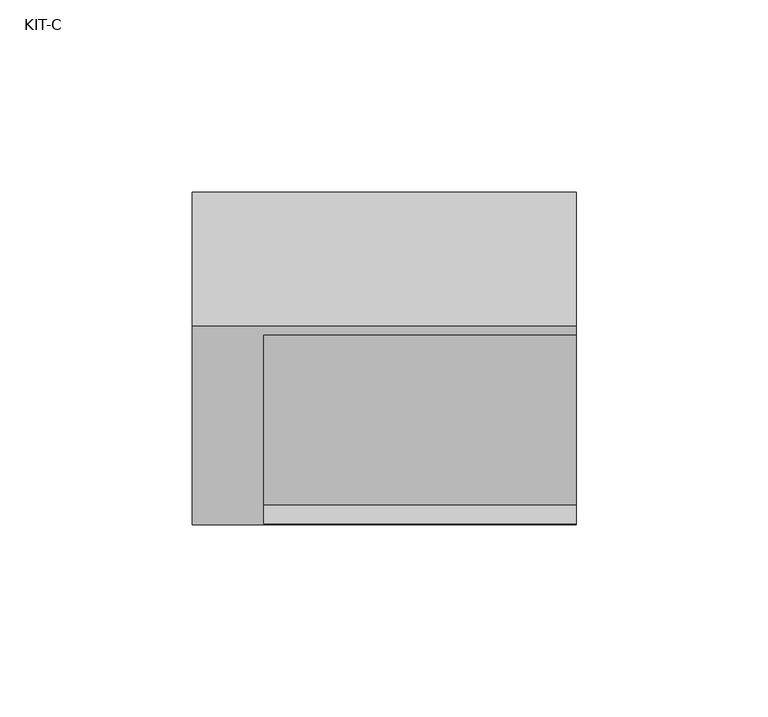
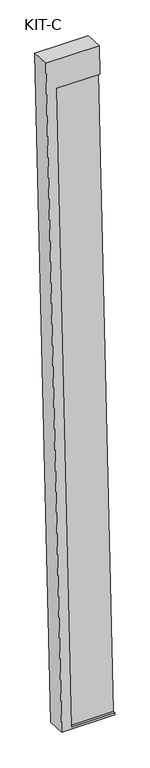
"""IFC4 building model written with IfcOpenShell, lengths in millimetres: plate geometry, KIT-C."""

import ifcopenshell
import ifcopenshell.guid

model = None  # the IFC model being written
_history = None  # IfcOwnerHistory: only IFC2X3 demands one
_inside = {}  # id of a spatial element -> (the spatial element, [elements in it])
_under = {}  # id of a project, library or spatial element -> (it, [spatial elements below it])
_declared = {}  # id of a project -> (the project, [libraries it declares])
_typed = {}  # id of a type object -> (the type object, [elements of that type])
_made_of = {}  # id of a material, layer set ... -> (it, [elements and type objects made of it])


def new_model(schema):
    """Start an empty IFC model of exactly this schema.

    Asked for "IFC4X3", IfcOpenShell would pick the latest addendum, in which some entities
    have other attributes; the version numbers below select the first issue.
    IFC2X3 requires an IfcOwnerHistory on every rooted entity: one is made here for all.
    """
    global model, _history
    if schema == "IFC4X3":
        model = ifcopenshell.file(schema_version=(4, 3, 0, 0))
    else:
        model = ifcopenshell.file(schema=schema)
    _inside.clear()
    _under.clear()
    _declared.clear()
    _typed.clear()
    _made_of.clear()
    _history = None
    if model.schema == "IFC2X3":
        org = make("IfcOrganization", Name="unknown")
        user = make(
            "IfcPersonAndOrganization",
            ThePerson=make("IfcPerson", FamilyName="unknown"),
            TheOrganization=org,
        )
        app = make(
            "IfcApplication",
            ApplicationDeveloper=org,
            Version="unknown",
            ApplicationFullName="unknown",
            ApplicationIdentifier="unknown",
        )
        _history = make(
            "IfcOwnerHistory",
            OwningUser=user,
            OwningApplication=app,
            ChangeAction="ADDED",
            CreationDate=0,
        )
    return model


def make(cls, **values):
    """One entity of the class cls with the attributes given. An attribute that is None is left unset."""
    return model.create_entity(
        cls, **{name: value for name, value in values.items() if value is not None}
    )


def rooted(cls, **values):
    """An entity with a GlobalId (a new one), such as an element, a storey or a relation."""
    return make(cls, GlobalId=ifcopenshell.guid.new(), OwnerHistory=_history, **values)


def si_unit(unit_type, name, prefix=None):
    """IfcSIUnit, for example si_unit("LENGTHUNIT", "METRE", prefix="MILLI")."""
    return make("IfcSIUnit", UnitType=unit_type, Prefix=prefix, Name=name)


def assignment(units):
    """IfcUnitAssignment: the units of a project."""
    return None if units is None else make("IfcUnitAssignment", Units=units)


def point(xyz):
    """IfcCartesianPoint."""
    return None if xyz is None else make("IfcCartesianPoint", Coordinates=xyz)


def direction(xyz):
    """IfcDirection."""
    return None if xyz is None else make("IfcDirection", DirectionRatios=xyz)


def frame(location, z_axis=None, x_axis=None):
    """IfcAxis2Placement3D, a coordinate frame: its origin and axes. An axis left out is left unset."""
    return make(
        "IfcAxis2Placement3D",
        Location=point(location),
        Axis=direction(z_axis),
        RefDirection=direction(x_axis),
    )


def origin():
    """The frame at (0, 0, 0) with its axes left unset."""
    return frame((0.0, 0.0, 0.0))


def place(relative_to, where):
    """IfcLocalPlacement: puts the frame where relative to a parent placement (None: the world)."""
    return make(
        "IfcLocalPlacement", PlacementRelTo=relative_to, RelativePlacement=where
    )


def context(
    kind, dimensions, precision=None, world=None, true_north=None, identifier=None
):
    """IfcGeometricRepresentationContext, for example the 3D "Model" context."""
    return make(
        "IfcGeometricRepresentationContext",
        ContextIdentifier=identifier,
        ContextType=kind,
        CoordinateSpaceDimension=dimensions,
        Precision=precision,
        WorldCoordinateSystem=world,
        TrueNorth=true_north,
    )


def project(units=None, contexts=None):
    """IfcProject with its units and contexts."""
    return rooted(
        "IfcProject",
        Name="project",
        RepresentationContexts=contexts,
        UnitsInContext=assignment(units),
    )


def spatial(cls, under=None, at=None, **own):
    """A site, building, storey or space (cls), placed at a placement, below another one or the project."""
    s = rooted(cls, ObjectPlacement=at, **own)
    if under is not None:
        _under.setdefault(under.id(), (under, []))[1].append(s)
    return s


def polyline(points):
    """IfcPolyline through the points."""
    return make("IfcPolyline", Points=[point(p) for p in points])


def outline(outer, holes=None, kind="AREA"):
    """IfcArbitraryClosedProfileDef: a profile drawn as a closed curve; with holes, ...WithVoids."""
    if holes is None:
        return make("IfcArbitraryClosedProfileDef", ProfileType=kind, OuterCurve=outer)
    return make(
        "IfcArbitraryProfileDefWithVoids",
        ProfileType=kind,
        OuterCurve=outer,
        InnerCurves=holes,
    )


def extrude(swept, where, along, depth):
    """IfcExtrudedAreaSolid: the profile swept, set in the frame where, extruded along a direction by depth."""
    return make(
        "IfcExtrudedAreaSolid",
        SweptArea=swept,
        Position=where,
        ExtrudedDirection=direction(along),
        Depth=depth,
    )


def shape(context_of_items, identifier, shape_type, items):
    """IfcShapeRepresentation: the items that make up one representation, for example the "Body"."""
    return make(
        "IfcShapeRepresentation",
        ContextOfItems=context_of_items,
        RepresentationIdentifier=identifier,
        RepresentationType=shape_type,
        Items=items,
    )


def source(mapping_origin, context_of_items, identifier, shape_type, items):
    """IfcRepresentationMap: a shape defined once, which mapped items show again and again."""
    return make(
        "IfcRepresentationMap",
        MappingOrigin=mapping_origin,
        MappedRepresentation=shape(context_of_items, identifier, shape_type, items),
    )


def transform(
    local_origin,
    x_axis=None,
    y_axis=None,
    z_axis=None,
    scale=None,
    scale2=None,
    scale3=None,
    uniform=True,
):
    """IfcCartesianTransformationOperator3D, or its non-uniform kind. x_axis, y_axis, z_axis: its Axis1, 2, 3."""
    if uniform:
        return make(
            "IfcCartesianTransformationOperator3D",
            Axis1=direction(x_axis),
            Axis2=direction(y_axis),
            LocalOrigin=point(local_origin),
            Scale=scale,
            Axis3=direction(z_axis),
        )
    return make(
        "IfcCartesianTransformationOperator3DnonUniform",
        Axis1=direction(x_axis),
        Axis2=direction(y_axis),
        LocalOrigin=point(local_origin),
        Scale=scale,
        Axis3=direction(z_axis),
        Scale2=scale2,
        Scale3=scale3,
    )


def mapped(mapping_source, mapping_target):
    """IfcMappedItem: shows the shape of a source again, moved by a transform."""
    return make(
        "IfcMappedItem", MappingSource=mapping_source, MappingTarget=mapping_target
    )


def made_of(thing, what):
    """Note that an element or type object is made of a material, layer set ...; save() writes the relation."""
    if what is not None:
        _made_of.setdefault(what.id(), (what, []))[1].append(thing)
    return thing


def element(
    cls,
    number,
    at=None,
    inside=None,
    cuts=None,
    type_object=None,
    material=None,
    context=None,
    identifier="Body",
    shape_type=None,
    held_by="IfcProductDefinitionShape",
    body=None,
    shapes=None,
    **own,
):
    """One element of the class cls, such as IfcWall. Its Tag is "e" and its number.

    at: its placement. inside: the storey or other place that contains it. cuts: it is an
    opening in that element (IfcRelVoidsElement). A single representation is given by context,
    identifier, shape_type and body (its items); several are given by shapes. held_by: the class
    of the entity that holds the representations. save() writes the other relations.
    """
    e = rooted(cls, Tag="e%d" % number, ObjectPlacement=at, **own)
    if body is not None:
        shapes = [shape(context, identifier, shape_type, body)]
    if shapes is not None:
        e.Representation = make(held_by, Representations=shapes)
    if inside is not None:
        _inside.setdefault(inside.id(), (inside, []))[1].append(e)
    if cuts is not None:
        rooted(
            "IfcRelVoidsElement", RelatingBuildingElement=cuts, RelatedOpeningElement=e
        )
    if type_object is not None:
        _typed.setdefault(type_object.id(), (type_object, []))[1].append(e)
    return made_of(e, material)


def aggregate(whole, parts):
    """IfcRelAggregates: a whole, such as a stair, and the parts it consists of."""
    return rooted("IfcRelAggregates", RelatingObject=whole, RelatedObjects=parts)


def save(model, path):
    """Write the relations noted so far, then the file.

    IfcRelAggregates (storeys below a building ...), IfcRelContainedInSpatialStructure (elements
    in a storey), IfcRelDefinesByType, IfcRelAssociatesMaterial and IfcRelDeclares: one each for
    every whole, place, type object, material and project.
    """
    for whole, parts in _under.values():
        aggregate(whole, parts)
    for where, things in _inside.values():
        rooted(
            "IfcRelContainedInSpatialStructure",
            RelatedElements=things,
            RelatingStructure=where,
        )
    for kind, things in _typed.values():
        rooted("IfcRelDefinesByType", RelatedObjects=things, RelatingType=kind)
    for what, things in _made_of.values():
        rooted("IfcRelAssociatesMaterial", RelatedObjects=things, RelatingMaterial=what)
    for by, libraries in _declared.values():
        rooted("IfcRelDeclares", RelatingContext=by, RelatedDefinitions=libraries)
    model.write(path)


def kit_c_80ab5ce9(model_context):
    return source(origin(), model_context, "Body", "SweptSolid", [
        extrude(outline(polyline([(0.0, 0.0), (27.4505712, 0.0), (27.4505712, -81.5), (0.0, -81.5), (0.0, 0.0)])), frame((-877.0, -68.9260812, -49.4638085), z_axis=(0.0, 0.03973683410233643, 0.9992101801000245), x_axis=(0.0, 0.9992101801000245, -0.03973683410233643)), (0.0, 0.0, 1.0), 1236.5315929),
        extrude(outline(polyline([(-1295.0000001, 0.0), (0.0, 0.0), (0.0, -100.0), (-55.0, -100.0), (-55.0, -18.5), (-1291.531593, -18.5), (-1291.531593, -100.0), (-1295.0000001, -100.0), (-1295.0000001, 0.0)])), frame((-895.5, 12.3716008, 1239.8556021), z_axis=(0.0, -0.9992101801000247, 0.03973683410233422), x_axis=(0.0, 0.03973683410233422, 0.9992101801000247)), (0.0, 0.0, 1.0), 35.0),
    ])


if __name__ == "__main__":
    model = new_model("IFC4")
    model_context = context("Model", 3, world=origin())
    ifc_project = project(units=[si_unit("LENGTHUNIT", "METRE", prefix="MILLI")], contexts=[model_context])
    site = spatial("IfcSite", under=ifc_project)
    building = spatial("IfcBuilding", under=site)
    placement = place(None, origin())
    kit_c_shape = kit_c_80ab5ce9(model_context)
    element("IfcPlate", 1, ObjectType="KIT-C", at=placement, inside=building, context=model_context, shape_type="MappedRepresentation", body=[
        mapped(kit_c_shape, transform((0.0, 0.0, 0.0), x_axis=(1.0, 0.0, 0.0), y_axis=(0.0, 1.0, 0.0), z_axis=(0.0, 0.0, 1.0))),
    ])
    save(model, "model.ifc")
